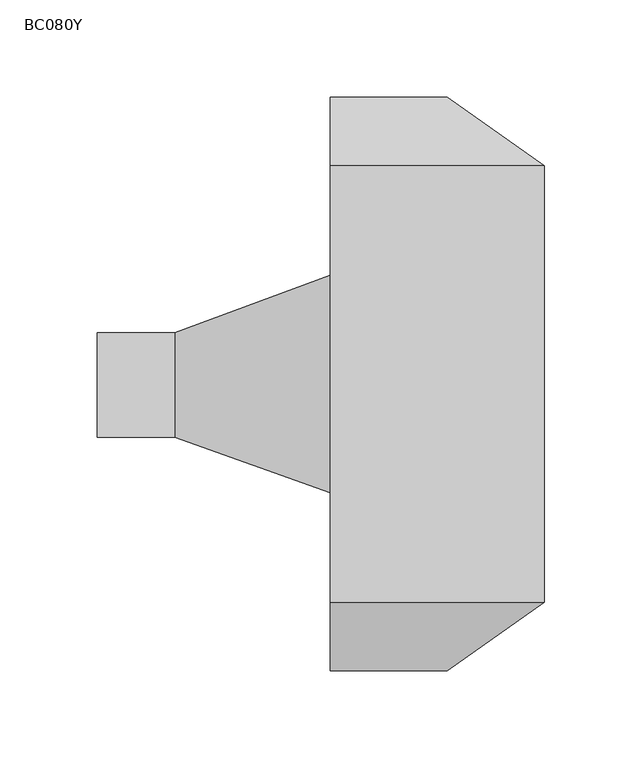
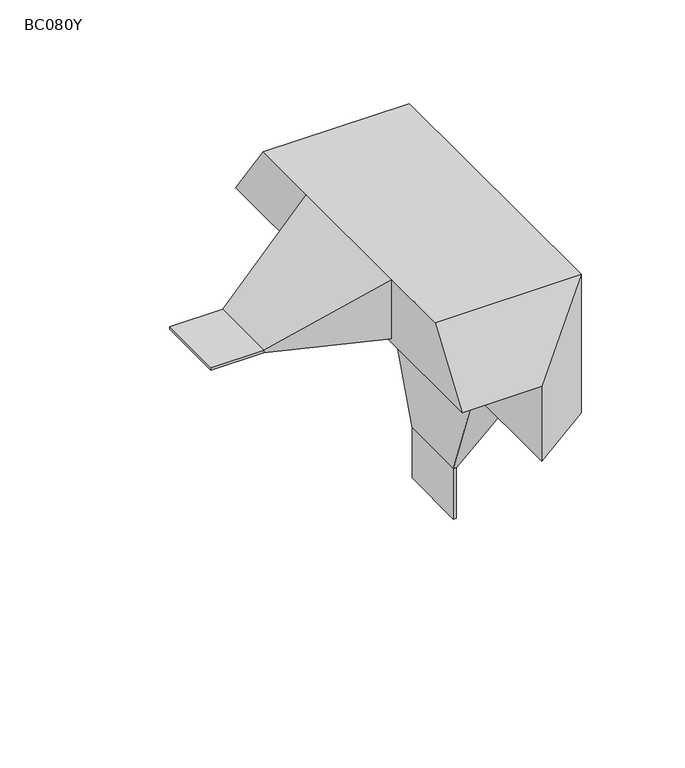
"""IFC4 building model written with IfcOpenShell, lengths in millimetres: proxy geometry, BC080Y."""

from ifc_helpers import new_model, si_unit, frame, origin, place, context, project, spatial, polyline, outline, extrude, faceted_brep, source, transform, mapped, element, save


def bc080y_eae7e9a6(model_context):
    return source(origin(), model_context, "Body", "SolidModel", [
        extrude(outline(polyline([(63.0, -27.0), (63.0, 27.0), (65.0, 27.0), (65.0, -27.0), (63.0, -27.0)])), frame((0.0, 0.0, -180.0), z_axis=(0.0, 0.0, 1.0), x_axis=(1.0, 0.0, 0.0)), (0.0, 0.0, 1.0), 40.0),
        faceted_brep([(63.0, -56.0, -60.0), (63.0, 56.0, -60.0), (63.0, 27.0, -140.0), (63.0, -27.0, -140.0), (110.0, -56.0, -60.0), (110.0, 56.0, -60.0), (65.0, 27.0, -140.0), (65.0, -27.0, -140.0)], [[[0, 1, 2, 3]], [[1, 0, 4, 5]], [[2, 1, 5, 6]], [[3, 2, 6, 7]], [[0, 3, 7, 4]], [[5, 4, 7, 6]]]),
        extrude(outline(polyline([(-80.0, 26.3376741), (-80.0, -27.5213222), (-120.0, -27.5213222), (-120.0, 26.3376741), (-80.0, 26.3376741)])), frame((0.0, 0.0, 3.0), z_axis=(0.0, 0.0, 1.0), x_axis=(1.0, 0.0, 0.0)), (0.0, 0.0, 1.0), 2.0),
        faceted_brep([(0.0, 55.9603611, 50.0), (0.0, -55.918544, 50.0), (0.0, -112.2, 50.0), (110.0, -112.2, 50.0), (110.0, 112.2, 50.0), (0.0, 112.2, 50.0), (0.0, -147.5, 0.0), (0.0, 147.5, 0.0), (60.0, 147.5, 0.0), (60.0, -147.5, 0.0), (0.0, -55.918544, 3.0), (0.0, 55.9603611, 3.0), (-80.0, -27.5213222, 3.0), (-80.0, 26.3376741, 3.0), (-80.0, 26.3376741, 5.0), (-80.0, -27.5213222, 5.0), (60.0, -147.5, -60.0), (60.0, 147.5, -60.0), (110.0, 112.2, -60.0), (110.0, -112.2, -60.0)], [[[0, 1, 2, 3, 4, 5]], [[6, 7, 8, 9]], [[7, 6, 2, 1, 10, 11, 0, 5]], [[10, 12, 13, 11]], [[11, 13, 14, 0]], [[13, 12, 15, 14]], [[12, 10, 1, 15]], [[0, 14, 15, 1]], [[16, 17, 18, 19]], [[17, 16, 9, 8]], [[3, 19, 18, 4]], [[9, 3, 2, 6]], [[3, 9, 16, 19]], [[8, 4, 18, 17]], [[4, 8, 7, 5]]]),
    ])


if __name__ == "__main__":
    model = new_model("IFC4")
    model_context = context("Model", 3, world=origin())
    ifc_project = project(units=[si_unit("LENGTHUNIT", "METRE", prefix="MILLI")], contexts=[model_context])
    site = spatial("IfcSite", under=ifc_project)
    building = spatial("IfcBuilding", under=site)
    placement = place(None, origin())
    bc080y_shape = bc080y_eae7e9a6(model_context)
    element("IfcBuildingElementProxy", 1, Name="BC080Y", ObjectType="BC080Y", at=placement, inside=building, context=model_context, shape_type="MappedRepresentation", body=[
        mapped(bc080y_shape, transform((0.0, 0.0, 0.0), x_axis=(1.0, 0.0, 0.0), y_axis=(0.0, 1.0, 0.0), z_axis=(0.0, 0.0, 1.0))),
    ])
    save(model, "model.ifc")
